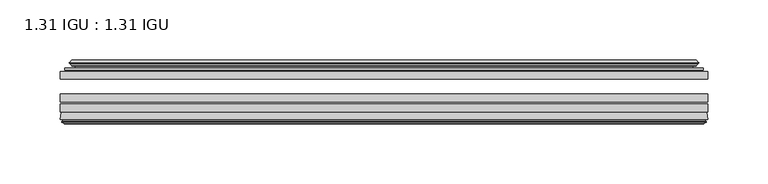
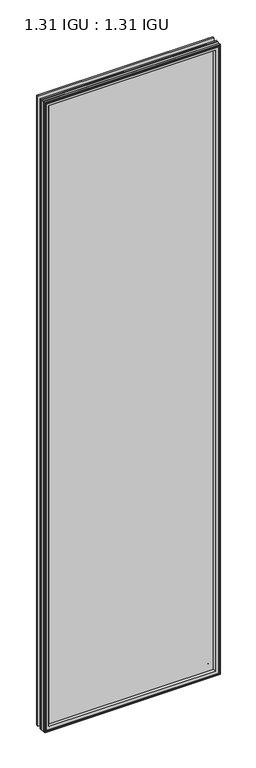
"""IFC4 building model written with IfcOpenShell, lengths in millimetres: plate geometry, 1.31 IGU : 1.31 IGU."""

from ifc_helpers import new_model, si_unit, frame, origin, place, context, project, spatial, polyline, ellipse_curve, outline, extrude, source, transform, mapped, element, save
from ifc_brep_helpers import plane_surface, cylinder_surface, revolved_surface, advanced_brep


def plate_1_31_igu_1_31_igu_53d5ca03(model_context):
    return source(origin(), model_context, "Body", "SolidModel", [
        extrude(outline(polyline([(268.2193626, -51.7723437), (268.2193626, -58.1223438), (-268.2863094, -58.1223438), (-268.2863094, -51.7723437), (268.2193626, -51.7723437)])), frame((0.0, 0.0, -14.2875), z_axis=(0.0, 0.0, 1.0), x_axis=(1.0, 0.0, 0.0)), (0.0, 0.0, 1.0), 2025.65),
        extrude(outline(polyline([(-268.2863094, -85.4273438), (-268.2863094, -79.0773437), (268.2193626, -79.0773437), (268.2193626, -85.4273438), (-268.2863094, -85.4273438)])), frame((0.0, 0.0, -14.2875), z_axis=(0.0, 0.0, 1.0), x_axis=(1.0, 0.0, 0.0)), (0.0, 0.0, 1.0), 2025.65),
        extrude(outline(polyline([(-268.2863094, -77.1723438), (-268.2863094, -70.8223438), (268.2193626, -70.8223438), (268.2193626, -77.1723438), (-268.2863094, -77.1723438)])), frame((0.0, 0.0, -14.2875), z_axis=(0.0, 0.0, 1.0), x_axis=(1.0, 0.0, 0.0)), (0.0, 0.0, 1.0), 2025.65),
        advanced_brep(
        [(-268.2990094, -91.7773437, 2011.3752), (-267.6042256, -86.1187838, 2010.6804162), (-267.6042256, -86.1187838, -13.6054162), (-268.2990094, -91.7773437, -14.3002), (-265.9114094, -93.768408, 2008.9876), (-266.3686094, -91.7773437, 2009.4448), (-266.3686094, -91.7773437, -12.3698), (-265.9114094, -93.768408, -11.9126), (-266.9127712, -93.5000939, 2009.9889619), (-266.9127712, -93.5000939, -12.9139619), (-267.1560094, -94.407871, 2010.2322), (-267.1560094, -94.407871, -13.1572), (-265.1240094, -94.9523437, 2008.2002), (-265.1240094, -94.9523437, -11.1252), (-263.0920094, -94.407871, 2006.1682), (-263.0920094, -94.407871, -9.0932), (-263.3352475, -93.5000939, 2006.4114381), (-263.3352475, -93.5000939, -9.3364381), (-264.3366094, -93.768408, 2007.4128), (-264.3366094, -93.768408, -10.3378), (-263.8794094, -91.7773437, 2006.9556), (-263.8794094, -91.7773437, -9.8806), (-249.8097879, -85.4273437, 1992.8859786), (-253.9988094, -91.7773437, 1997.075), (-253.9988094, -91.7773437, 0.0), (-249.8097879, -85.4273437, 4.1890214), (-266.8226947, -85.4273437, 2009.8988854), (-266.8226947, -85.4273437, -12.8238854), (267.6042256, -86.1187838, -13.6054162), (268.2990094, -91.7773437, -14.3002), (266.3686094, -91.7773437, -12.3698), (265.9114094, -93.768408, -11.9126), (266.9127712, -93.5000939, -12.9139619), (267.1560094, -94.407871, -13.1572), (265.1240094, -94.9523437, -11.1252), (263.0920094, -94.407871, -9.0932), (263.3352475, -93.5000939, -9.3364381), (264.3366094, -93.768408, -10.3378), (263.8794094, -91.7773437, -9.8806), (253.9988094, -91.7773437, 0.0), (249.8097879, -85.4273437, 4.1890214), (266.8226947, -85.4273437, -12.8238854), (267.6042256, -86.1187838, 2010.6804162), (268.2990094, -91.7773437, 2011.3752), (266.3686094, -91.7773437, 2009.4448), (265.9114094, -93.768408, 2008.9876), (266.9127712, -93.5000939, 2009.9889619), (267.1560094, -94.407871, 2010.2322), (265.1240094, -94.9523437, 2008.2002), (263.0920094, -94.407871, 2006.1682), (263.3352475, -93.5000939, 2006.4114381), (264.3366094, -93.768408, 2007.4128), (263.8794094, -91.7773437, 2006.9556), (253.9988094, -91.7773437, 1997.075), (249.8097879, -85.4273437, 1992.8859786), (266.8226947, -85.4273437, 2009.8988854)],
        [
            (0, 1),
            (1, 2),
            (2, 3),
            (3, 0),
            (4, 5),
            (5, 6),
            (6, 7),
            (7, 4),
            (8, 4),
            (7, 9),
            (9, 8),
            (10, 8),
            (9, 11),
            (11, 10),
            (12, 10),
            (11, 13),
            (13, 12),
            (14, 12),
            (13, 15),
            (15, 14),
            (16, 14),
            (15, 17),
            (17, 16),
            (18, 16),
            (17, 19),
            (19, 18),
            (20, 18),
            (19, 21),
            (21, 20),
            (22, 23, ellipse_curve(frame((-247.0149154, -91.8278132, 1990.091106), z_axis=(0.7071067811865475, 0.0, 0.7071067811865475), x_axis=(0.7071067811865474, 0.0, -0.7071067811865476)), 9.8769754, 6.9840763)),
            (23, 24),
            (24, 25, ellipse_curve(frame((-247.0149154, -91.8278132, 6.983894), z_axis=(0.7071067811865475, 0.0, -0.7071067811865475), x_axis=(-0.7071067811865474, 0.0, -0.7071067811865476)), 9.8769754, 6.9840763)),
            (25, 22),
            (1, 26, ellipse_curve(frame((-266.8226947, -86.2147437, 2009.8988854), z_axis=(-0.7071067811865475, 0.0, -0.7071067811865475), x_axis=(-0.7071067811865474, 0.0, 0.7071067811865476)), 1.1135518, 0.7874)),
            (26, 27),
            (27, 2, ellipse_curve(frame((-266.8226947, -86.2147437, -12.8238854), z_axis=(-0.7071067811865475, 0.0, 0.7071067811865475), x_axis=(0.7071067811865474, 0.0, 0.7071067811865476)), 1.1135518, 0.7874)),
            (2, 28),
            (28, 29),
            (29, 3),
            (6, 30),
            (30, 31),
            (31, 7),
            (31, 32),
            (32, 9),
            (32, 33),
            (33, 11),
            (33, 34),
            (34, 13),
            (34, 35),
            (35, 15),
            (35, 36),
            (36, 17),
            (36, 37),
            (37, 19),
            (37, 38),
            (38, 21),
            (24, 39),
            (39, 40, ellipse_curve(frame((247.0149154, -91.8278132, 6.983894), z_axis=(0.7071067811865475, 0.0, 0.7071067811865475), x_axis=(0.7071067811865476, 0.0, -0.7071067811865474)), 9.8769754, 6.9840763)),
            (40, 25),
            (27, 41),
            (41, 28, ellipse_curve(frame((266.8226947, -86.2147437, -12.8238854), z_axis=(-0.7071067811865475, 0.0, -0.7071067811865475), x_axis=(-0.7071067811865476, 0.0, 0.7071067811865474)), 1.1135518, 0.7874)),
            (28, 42),
            (42, 43),
            (43, 29),
            (30, 44),
            (44, 45),
            (45, 31),
            (45, 46),
            (46, 32),
            (46, 47),
            (47, 33),
            (47, 48),
            (48, 34),
            (48, 49),
            (49, 35),
            (49, 50),
            (50, 36),
            (50, 51),
            (51, 37),
            (51, 52),
            (52, 38),
            (39, 53),
            (53, 54, ellipse_curve(frame((247.0149154, -91.8278132, 1990.091106), z_axis=(-0.7071067811865475, 0.0, 0.7071067811865475), x_axis=(0.7071067811865474, 0.0, 0.7071067811865476)), 9.8769754, 6.9840763)),
            (54, 40),
            (41, 55),
            (55, 42, ellipse_curve(frame((266.8226947, -86.2147437, 2009.8988854), z_axis=(0.7071067811865475, 0.0, -0.7071067811865475), x_axis=(-0.7071067811865474, 0.0, -0.7071067811865476)), 1.1135518, 0.7874)),
            (42, 1),
            (0, 43),
            (5, 44),
            (4, 45),
            (8, 46),
            (10, 47),
            (12, 48),
            (14, 49),
            (16, 50),
            (18, 51),
            (20, 52),
            (23, 53),
            (22, 54),
            (26, 55),
        ],
        [
            plane_surface(frame((-267.6042256, -86.1187838, 2010.6804162), z_axis=(-0.9925461516413241, 0.12186934340513107, 0.0), x_axis=(0.0, 0.0, -1.0))),
            plane_surface(frame((-266.3686094, -91.7773437, 2009.4448), z_axis=(-0.9746347637895992, -0.2238014236165451, 0.0), x_axis=(0.0, 0.0, -1.0))),
            plane_surface(frame((-265.9114094, -93.768408, 2008.9876), z_axis=(0.2588190451026679, 0.9659258262890289, 0.0), x_axis=(0.0, 0.0, -1.0))),
            plane_surface(frame((-266.9127712, -93.5000939, 2009.9889619), z_axis=(-0.9659258262890449, 0.25881904510260834, 0.0), x_axis=(0.0, 0.0, -1.0))),
            plane_surface(frame((-267.1560094, -94.407871, 2010.2322), z_axis=(-0.2588190451025046, -0.9659258262890726, 0.0), x_axis=(0.0, 0.0, -1.0))),
            plane_surface(frame((-265.1240094, -94.9523437, 2008.2002), z_axis=(0.25881904510247894, -0.9659258262890795, 0.0), x_axis=(0.0, 0.0, -1.0))),
            plane_surface(frame((-263.0920094, -94.407871, 2006.1682), z_axis=(0.9659258262890272, 0.258819045102674, 0.0), x_axis=(0.0, 0.0, -1.0))),
            plane_surface(frame((-263.3352475, -93.5000939, 2006.4114381), z_axis=(-0.2588190451023417, 0.9659258262891163, 0.0), x_axis=(0.0, 0.0, -1.0))),
            plane_surface(frame((-264.3366094, -93.768408, 2007.4128), z_axis=(0.9746347637895936, -0.2238014236165695, 0.0), x_axis=(0.0, 0.0, -1.0))),
            revolved_surface(polyline([(-253.9989917, -91.8278132, -0.00018228295266453642), (-253.9989917, -91.8278132, 1997.0751822829527)]), (-247.0149154, -91.8278132, 2028.825), (0.0, 0.0, -1.0)),
            cylinder_surface(frame((-266.8226947, -86.2147437, 2028.825), z_axis=(0.0, 0.0, 1.0), x_axis=(-1.0, 0.0, 0.0)), 0.7874),
            plane_surface(frame((-267.6042256, -86.1187838, -13.6054162), z_axis=(0.0, 0.12186934340512784, -0.9925461516413245), x_axis=(1.0, 0.0, 0.0))),
            plane_surface(frame((-266.3686094, -91.7773437, -12.3698), z_axis=(0.0, -0.22380142361654826, -0.9746347637895985), x_axis=(1.0, 0.0, 0.0))),
            plane_surface(frame((-265.9114094, -93.768408, -11.9126), z_axis=(0.0, 0.9659258262890298, 0.25881904510266474), x_axis=(1.0, 0.0, 0.0))),
            plane_surface(frame((-266.9127712, -93.5000939, -12.9139619), z_axis=(0.0, 0.25881904510260517, -0.9659258262890458), x_axis=(1.0, 0.0, 0.0))),
            plane_surface(frame((-267.1560094, -94.407871, -13.1572), z_axis=(0.0, -0.9659258262890735, -0.2588190451025014), x_axis=(1.0, 0.0, 0.0))),
            plane_surface(frame((-265.1240094, -94.9523437, -11.1252), z_axis=(0.0, -0.9659258262890786, 0.2588190451024821), x_axis=(1.0, 0.0, 0.0))),
            plane_surface(frame((-263.0920094, -94.407871, -9.0932), z_axis=(0.0, 0.2588190451026772, 0.9659258262890265), x_axis=(1.0, 0.0, 0.0))),
            plane_surface(frame((-263.3352475, -93.5000939, -9.3364381), z_axis=(0.0, 0.9659258262891154, -0.2588190451023449), x_axis=(1.0, 0.0, 0.0))),
            plane_surface(frame((-264.3366094, -93.768408, -10.3378), z_axis=(0.0, -0.22380142361656633, 0.9746347637895943), x_axis=(1.0, 0.0, 0.0))),
            revolved_surface(polyline([(253.9989916829528, -91.8278132, -0.00018229999999963553), (-253.99899168295272, -91.8278132, -0.00018229999999963553)]), (-285.7488094, -91.8278132, 6.983894), (1.0, 0.0, 0.0)),
            cylinder_surface(frame((-285.7488094, -86.2147437, -12.8238854), z_axis=(-1.0, 0.0, 0.0), x_axis=(0.0, 0.0, -1.0)), 0.7874),
            plane_surface(frame((267.6042256, -86.1187838, -13.6054162), z_axis=(0.992546151641325, 0.1218693434051246, 0.0), x_axis=(0.0, 0.0, 1.0))),
            plane_surface(frame((266.3686094, -91.7773437, -12.3698), z_axis=(0.9746347637895977, -0.22380142361655142, 0.0), x_axis=(0.0, 0.0, 1.0))),
            plane_surface(frame((265.9114094, -93.768408, -11.9126), z_axis=(-0.25881904510266157, 0.9659258262890307, 0.0), x_axis=(0.0, 0.0, 1.0))),
            plane_surface(frame((266.9127712, -93.5000939, -12.9139619), z_axis=(0.9659258262890467, 0.258819045102602, 0.0), x_axis=(0.0, 0.0, 1.0))),
            plane_surface(frame((267.1560094, -94.407871, -13.1572), z_axis=(0.25881904510249826, -0.9659258262890744, 0.0), x_axis=(0.0, 0.0, 1.0))),
            plane_surface(frame((265.1240094, -94.9523437, -11.1252), z_axis=(-0.2588190451024853, -0.9659258262890779, 0.0), x_axis=(0.0, 0.0, 1.0))),
            plane_surface(frame((263.0920094, -94.407871, -9.0932), z_axis=(-0.9659258262890256, 0.2588190451026804, 0.0), x_axis=(0.0, 0.0, 1.0))),
            plane_surface(frame((263.3352475, -93.5000939, -9.3364381), z_axis=(0.2588190451023481, 0.9659258262891146, 0.0), x_axis=(0.0, 0.0, 1.0))),
            plane_surface(frame((264.3366094, -93.768408, -10.3378), z_axis=(-0.9746347637895951, -0.22380142361656316, 0.0), x_axis=(0.0, 0.0, 1.0))),
            revolved_surface(polyline([(253.9989917, -91.8278132, 1997.0751822829527), (253.9989917, -91.8278132, -0.0001822829527107217)]), (247.0149154, -91.8278132, -31.75), (0.0, 0.0, 1.0)),
            cylinder_surface(frame((266.8226947, -86.2147437, -31.75), z_axis=(0.0, 0.0, -1.0), x_axis=(1.0, 0.0, 0.0)), 0.7874),
            plane_surface(frame((267.6042256, -86.1187838, 2010.6804162), z_axis=(0.0, 0.12186934340512784, 0.9925461516413245), x_axis=(-1.0, 0.0, 0.0))),
            plane_surface(frame((268.2990094, -91.7773437, 2011.3752), z_axis=(0.0, -1.0, 0.0), x_axis=(-1.0, 0.0, 0.0))),
            plane_surface(frame((266.3686094, -91.7773437, 2009.4448), z_axis=(0.0, -0.22380142361654826, 0.9746347637895985), x_axis=(-1.0, 0.0, 0.0))),
            plane_surface(frame((265.9114094, -93.768408, 2008.9876), z_axis=(0.0, 0.9659258262890298, -0.25881904510266474), x_axis=(-1.0, 0.0, 0.0))),
            plane_surface(frame((266.9127712, -93.5000939, 2009.9889619), z_axis=(0.0, 0.25881904510260517, 0.9659258262890458), x_axis=(-1.0, 0.0, 0.0))),
            plane_surface(frame((267.1560094, -94.407871, 2010.2322), z_axis=(0.0, -0.9659258262890735, 0.2588190451025014), x_axis=(-1.0, 0.0, 0.0))),
            plane_surface(frame((265.1240094, -94.9523437, 2008.2002), z_axis=(0.0, -0.9659258262890787, -0.25881904510248216), x_axis=(-1.0, 0.0, 0.0))),
            plane_surface(frame((263.0920094, -94.407871, 2006.1682), z_axis=(0.0, 0.2588190451026772, -0.9659258262890265), x_axis=(-1.0, 0.0, 0.0))),
            plane_surface(frame((263.3352475, -93.5000939, 2006.4114381), z_axis=(0.0, 0.9659258262891155, 0.25881904510234494), x_axis=(-1.0, 0.0, 0.0))),
            plane_surface(frame((264.3366094, -93.768408, 2007.4128), z_axis=(0.0, -0.22380142361656633, -0.9746347637895943), x_axis=(-1.0, 0.0, 0.0))),
            plane_surface(frame((263.8794094, -91.7773437, 2006.9556), z_axis=(0.0, -1.0, 0.0), x_axis=(-1.0, 0.0, 0.0))),
            revolved_surface(polyline([(-253.9989916829528, -91.8278132, 1997.0751823), (253.99899168295272, -91.8278132, 1997.0751823)]), (285.7488094, -91.8278132, 1990.091106), (-1.0, 0.0, 0.0)),
            plane_surface(frame((249.8097879, -85.4273437, 1992.8859786), z_axis=(0.0, 1.0, 0.0), x_axis=(-1.0, 0.0, 0.0))),
            cylinder_surface(frame((285.7488094, -86.2147437, 2009.8988854), z_axis=(1.0, 0.0, 0.0), x_axis=(0.0, 0.0, 1.0)), 0.7874),
        ],
        [
            (0, [[1, 2, 3, 4]]),
            (1, [[5, 6, 7, 8]]),
            (2, [[9, -8, 10, 11]]),
            (3, [[12, -11, 13, 14]]),
            (4, [[15, -14, 16, 17]]),
            (5, [[18, -17, 19, 20]]),
            (6, [[21, -20, 22, 23]]),
            (7, [[24, -23, 25, 26]]),
            (8, [[27, -26, 28, 29]]),
            (9, [[30, 31, 32, 33]]),
            (10, [[34, 35, 36, -2]]),
            (11, [[-3, 37, 38, 39]]),
            (12, [[-7, 40, 41, 42]]),
            (13, [[-10, -42, 43, 44]]),
            (14, [[-13, -44, 45, 46]]),
            (15, [[-16, -46, 47, 48]]),
            (16, [[-19, -48, 49, 50]]),
            (17, [[-22, -50, 51, 52]]),
            (18, [[-25, -52, 53, 54]]),
            (19, [[-28, -54, 55, 56]]),
            (20, [[-32, 57, 58, 59]]),
            (21, [[-36, 60, 61, -37]]),
            (22, [[-38, 62, 63, 64]]),
            (23, [[-41, 65, 66, 67]]),
            (24, [[-43, -67, 68, 69]]),
            (25, [[-45, -69, 70, 71]]),
            (26, [[-47, -71, 72, 73]]),
            (27, [[-49, -73, 74, 75]]),
            (28, [[-51, -75, 76, 77]]),
            (29, [[-53, -77, 78, 79]]),
            (30, [[-55, -79, 80, 81]]),
            (31, [[-58, 82, 83, 84]]),
            (32, [[-61, 85, 86, -62]]),
            (33, [[-63, 87, -1, 88]]),
            (34, [[-39, -64, -88, -4], [89, -65, -40, -6]]),
            (35, [[-66, -89, -5, 90]]),
            (36, [[-68, -90, -9, 91]]),
            (37, [[-70, -91, -12, 92]]),
            (38, [[-72, -92, -15, 93]]),
            (39, [[-74, -93, -18, 94]]),
            (40, [[-76, -94, -21, 95]]),
            (41, [[-78, -95, -24, 96]]),
            (42, [[-80, -96, -27, 97]]),
            (43, [[-56, -81, -97, -29], [98, -82, -57, -31]]),
            (44, [[-83, -98, -30, 99]]),
            (45, [[100, -85, -60, -35], [-59, -84, -99, -33]]),
            (46, [[-86, -100, -34, -87]]),
        ],
    ),
        advanced_brep(
        [(-249.9510995, -50.6812421, 1993.0272902), (-250.3929097, -51.7723437, 1993.4691004), (-250.3929097, -51.7723437, 3.6058996), (-249.9510995, -50.6812421, 4.0477098), (-253.9988094, -42.9585437, 1997.075), (-253.9988094, -42.9585437, 0.0), (-259.1847202, -44.1396428, 2002.2609109), (-259.1847202, -44.1396428, -5.1859109), (-258.855145, -43.3125262, 2001.9313356), (-258.855145, -43.3125262, -4.8563356), (-258.855145, -42.4982749, 2001.9313356), (-258.855145, -42.4982749, -4.8563356), (-260.6714204, -44.4569108, 2003.7476111), (-260.6714204, -44.4569108, -6.6726111), (-260.6714204, -45.1700367, 2003.7476111), (-260.6714204, -45.1700367, -6.6726111), (-258.855145, -47.1188911, 2001.9313356), (-258.855145, -47.1188911, -4.8563356), (-258.855145, -46.3144213, 2001.9313356), (-258.855145, -46.3144213, -4.8563356), (-259.1770595, -45.5065305, 2002.2532501), (-259.1770595, -45.5065305, -5.1782501), (-256.6532472, -45.3481387, 1999.7294379), (-256.6532472, -45.3481387, -2.6544379), (-255.627431, -46.0358481, 1998.7036217), (-255.627431, -46.0358481, -1.6286217), (-255.7458382, -47.4303169, 1998.8220288), (-255.7458382, -47.4303169, -1.7470288), (-256.3475841, -48.9275437, 1999.4237748), (-256.3475841, -48.9275437, -2.3487748), (-264.2733647, -50.8359667, 2007.3495553), (-263.7877339, -48.9275437, 2006.8639245), (-263.7877339, -48.9275437, -9.7889245), (-264.2733647, -50.8359667, -10.2745553), (-262.5526248, -51.7723437, 2005.6288155), (-262.5526248, -51.7723437, -8.5538155), (250.3929097, -51.7723437, 3.6058996), (249.9510995, -50.6812421, 4.0477098), (253.9988094, -42.9585437, 0.0), (259.1847202, -44.1396428, -5.1859109), (258.855145, -43.3125262, -4.8563356), (258.855145, -42.4982749, -4.8563356), (260.6714204, -44.4569108, -6.6726111), (260.6714204, -45.1700367, -6.6726111), (258.855145, -47.1188911, -4.8563356), (258.855145, -46.3144213, -4.8563356), (259.1770595, -45.5065305, -5.1782501), (256.6532472, -45.3481387, -2.6544379), (255.627431, -46.0358481, -1.6286217), (255.7458382, -47.4303169, -1.7470288), (256.3475841, -48.9275437, -2.3487748), (263.7877339, -48.9275437, -9.7889245), (264.2733647, -50.8359667, -10.2745553), (262.5526248, -51.7723437, -8.5538155), (250.3929097, -51.7723437, 1993.4691004), (249.9510995, -50.6812421, 1993.0272902), (253.9988094, -42.9585437, 1997.075), (259.1847202, -44.1396428, 2002.2609109), (258.855145, -43.3125262, 2001.9313356), (258.855145, -42.4982749, 2001.9313356), (260.6714204, -44.4569108, 2003.7476111), (260.6714204, -45.1700367, 2003.7476111), (258.855145, -47.1188911, 2001.9313356), (258.855145, -46.3144213, 2001.9313356), (259.1770595, -45.5065305, 2002.2532501), (256.6532472, -45.3481387, 1999.7294379), (255.627431, -46.0358481, 1998.7036217), (255.7458382, -47.4303169, 1998.8220288), (256.3475841, -48.9275437, 1999.4237748), (263.7877339, -48.9275437, 2006.8639245), (264.2733647, -50.8359667, 2007.3495553), (262.5526248, -51.7723437, 2005.6288155)],
        [
            (0, 1, ellipse_curve(frame((-250.3929097, -51.1373437, 1993.4691004), z_axis=(-0.7071067811865475, 0.0, -0.7071067811865475), x_axis=(-0.7071067811865474, 0.0, 0.7071067811865476)), 0.8980256, 0.635)),
            (1, 2),
            (2, 3, ellipse_curve(frame((-250.3929097, -51.1373437, 3.6058996), z_axis=(-0.7071067811865475, 0.0, 0.7071067811865475), x_axis=(0.7071067811865474, 0.0, 0.7071067811865476)), 0.8980256, 0.635)),
            (3, 0),
            (4, 0, ellipse_curve(frame((-240.2660148, -40.6828682, 1983.3422054), z_axis=(0.7071067811865475, 0.0, 0.7071067811865475), x_axis=(0.7071067811865474, 0.0, -0.7071067811865476)), 19.6859517, 13.9200699)),
            (3, 5, ellipse_curve(frame((-240.2660148, -40.6828682, 13.7327946), z_axis=(0.7071067811865475, 0.0, -0.7071067811865475), x_axis=(-0.7071067811865474, 0.0, -0.7071067811865476)), 19.6859517, 13.9200699)),
            (5, 4),
            (6, 4),
            (5, 7),
            (7, 6),
            (8, 6),
            (7, 9),
            (9, 8),
            (10, 8),
            (9, 11),
            (11, 10),
            (12, 10),
            (11, 13),
            (13, 12),
            (14, 12, ellipse_curve(frame((-260.3095823, -44.8134737, 2003.3857729), z_axis=(-0.7071067811865475, 0.0, -0.7071067811865475), x_axis=(-0.7071067811865474, 0.0, 0.7071067811865476)), 0.7184205, 0.508)),
            (13, 15, ellipse_curve(frame((-260.3095823, -44.8134737, -6.3107729), z_axis=(-0.7071067811865475, 0.0, 0.7071067811865475), x_axis=(0.7071067811865474, 0.0, 0.7071067811865476)), 0.7184205, 0.508)),
            (15, 14),
            (16, 14),
            (15, 17),
            (17, 16),
            (18, 16),
            (17, 19),
            (19, 18),
            (20, 18),
            (19, 21),
            (21, 20),
            (22, 20),
            (21, 23),
            (23, 22),
            (24, 22, ellipse_curve(frame((-256.5896094, -46.3621437, 1999.6658), z_axis=(0.7071067811865475, 0.0, 0.7071067811865475), x_axis=(0.7071067811865474, 0.0, -0.7071067811865476)), 1.436841, 1.016)),
            (23, 25, ellipse_curve(frame((-256.5896094, -46.3621437, -2.5908), z_axis=(0.7071067811865475, 0.0, -0.7071067811865475), x_axis=(-0.7071067811865474, 0.0, -0.7071067811865476)), 1.436841, 1.016)),
            (25, 24),
            (26, 24, ellipse_curve(frame((-257.9612094, -46.5399437, 2001.0374), z_axis=(0.7071067811865475, 0.0, 0.7071067811865475), x_axis=(0.7071067811865474, 0.0, -0.7071067811865476)), 3.3765763, 2.3876)),
            (25, 27, ellipse_curve(frame((-257.9612094, -46.5399437, -3.9624), z_axis=(0.7071067811865475, 0.0, -0.7071067811865475), x_axis=(-0.7071067811865474, 0.0, -0.7071067811865476)), 3.3765763, 2.3876)),
            (27, 26),
            (28, 26),
            (27, 29),
            (29, 28),
            (30, 31, ellipse_curve(frame((-263.7877339, -49.9435437, 2006.8639245), z_axis=(-0.7071067811865475, 0.0, -0.7071067811865475), x_axis=(-0.7071067811865474, 0.0, 0.7071067811865476)), 1.436841, 1.016)),
            (31, 32),
            (32, 33, ellipse_curve(frame((-263.7877339, -49.9435437, -9.7889245), z_axis=(-0.7071067811865475, 0.0, 0.7071067811865475), x_axis=(0.7071067811865474, 0.0, 0.7071067811865476)), 1.436841, 1.016)),
            (33, 30),
            (34, 30),
            (33, 35),
            (35, 34),
            (2, 36),
            (36, 37, ellipse_curve(frame((250.3929097, -51.1373437, 3.6058996), z_axis=(-0.7071067811865475, 0.0, -0.7071067811865475), x_axis=(-0.7071067811865476, 0.0, 0.7071067811865474)), 0.8980256, 0.635)),
            (37, 3),
            (37, 38, ellipse_curve(frame((240.2660148, -40.6828682, 13.7327946), z_axis=(0.7071067811865475, 0.0, 0.7071067811865475), x_axis=(0.7071067811865476, 0.0, -0.7071067811865474)), 19.6859517, 13.9200699)),
            (38, 5),
            (38, 39),
            (39, 7),
            (39, 40),
            (40, 9),
            (40, 41),
            (41, 11),
            (41, 42),
            (42, 13),
            (42, 43, ellipse_curve(frame((260.3095823, -44.8134737, -6.3107729), z_axis=(-0.7071067811865475, 0.0, -0.7071067811865475), x_axis=(-0.7071067811865476, 0.0, 0.7071067811865474)), 0.7184205, 0.508)),
            (43, 15),
            (43, 44),
            (44, 17),
            (44, 45),
            (45, 19),
            (45, 46),
            (46, 21),
            (46, 47),
            (47, 23),
            (47, 48, ellipse_curve(frame((256.5896094, -46.3621437, -2.5908), z_axis=(0.7071067811865475, 0.0, 0.7071067811865475), x_axis=(0.7071067811865476, 0.0, -0.7071067811865474)), 1.436841, 1.016)),
            (48, 25),
            (48, 49, ellipse_curve(frame((257.9612094, -46.5399437, -3.9624), z_axis=(0.7071067811865475, 0.0, 0.7071067811865475), x_axis=(0.7071067811865476, 0.0, -0.7071067811865474)), 3.3765763, 2.3876)),
            (49, 27),
            (49, 50),
            (50, 29),
            (32, 51),
            (51, 52, ellipse_curve(frame((263.7877339, -49.9435437, -9.7889245), z_axis=(-0.7071067811865475, 0.0, -0.7071067811865475), x_axis=(-0.7071067811865476, 0.0, 0.7071067811865474)), 1.436841, 1.016)),
            (52, 33),
            (52, 53),
            (53, 35),
            (36, 54),
            (54, 55, ellipse_curve(frame((250.3929097, -51.1373437, 1993.4691004), z_axis=(0.7071067811865475, 0.0, -0.7071067811865475), x_axis=(-0.7071067811865474, 0.0, -0.7071067811865476)), 0.8980256, 0.635)),
            (55, 37),
            (55, 56, ellipse_curve(frame((240.2660148, -40.6828682, 1983.3422054), z_axis=(-0.7071067811865475, 0.0, 0.7071067811865475), x_axis=(0.7071067811865474, 0.0, 0.7071067811865476)), 19.6859517, 13.9200699)),
            (56, 38),
            (56, 57),
            (57, 39),
            (57, 58),
            (58, 40),
            (58, 59),
            (59, 41),
            (59, 60),
            (60, 42),
            (60, 61, ellipse_curve(frame((260.3095823, -44.8134737, 2003.3857729), z_axis=(0.7071067811865475, 0.0, -0.7071067811865475), x_axis=(-0.7071067811865474, 0.0, -0.7071067811865476)), 0.7184205, 0.508)),
            (61, 43),
            (61, 62),
            (62, 44),
            (62, 63),
            (63, 45),
            (63, 64),
            (64, 46),
            (64, 65),
            (65, 47),
            (65, 66, ellipse_curve(frame((256.5896094, -46.3621437, 1999.6658), z_axis=(-0.7071067811865475, 0.0, 0.7071067811865475), x_axis=(0.7071067811865474, 0.0, 0.7071067811865476)), 1.436841, 1.016)),
            (66, 48),
            (66, 67, ellipse_curve(frame((257.9612094, -46.5399437, 2001.0374), z_axis=(-0.7071067811865475, 0.0, 0.7071067811865475), x_axis=(0.7071067811865474, 0.0, 0.7071067811865476)), 3.3765763, 2.3876)),
            (67, 49),
            (67, 68),
            (68, 50),
            (51, 69),
            (69, 70, ellipse_curve(frame((263.7877339, -49.9435437, 2006.8639245), z_axis=(0.7071067811865475, 0.0, -0.7071067811865475), x_axis=(-0.7071067811865474, 0.0, -0.7071067811865476)), 1.436841, 1.016)),
            (70, 52),
            (70, 71),
            (71, 53),
            (54, 1),
            (0, 55),
            (4, 56),
            (6, 57),
            (8, 58),
            (10, 59),
            (12, 60),
            (14, 61),
            (16, 62),
            (18, 63),
            (20, 64),
            (22, 65),
            (24, 66),
            (26, 67),
            (28, 68),
            (31, 69),
            (30, 70),
            (34, 71),
        ],
        [
            cylinder_surface(frame((-250.3929097, -51.1373437, 2028.825), z_axis=(0.0, 0.0, 1.0), x_axis=(-1.0, 0.0, 0.0)), 0.635),
            revolved_surface(polyline([(-254.18608469999998, -40.6828682, -0.18727534118079348), (-254.18608469999998, -40.6828682, 1997.2622753411808)]), (-240.2660148, -40.6828682, 2028.825), (0.0, 0.0, -1.0)),
            plane_surface(frame((-253.9988094, -42.9585437, 1997.075), z_axis=(-0.22206498442778802, 0.9750318675259215, 0.0), x_axis=(0.0, 0.0, -1.0))),
            plane_surface(frame((-259.1847202, -44.1396428, 2002.2609109), z_axis=(0.9289682685629942, -0.3701593656833133, 0.0), x_axis=(0.0, 0.0, -1.0))),
            plane_surface(frame((-258.855145, -43.3125262, 2001.9313356), z_axis=(1.0, 0.0, 0.0), x_axis=(0.0, 0.0, -1.0))),
            plane_surface(frame((-258.855145, -42.4982749, 2001.9313356), z_axis=(-0.7332521292723948, 0.6799568478348456, 0.0), x_axis=(0.0, 0.0, -1.0))),
            cylinder_surface(frame((-260.3095823, -44.8134737, 2028.825), z_axis=(0.0, 0.0, 1.0), x_axis=(-1.0, 0.0, 0.0)), 0.508),
            plane_surface(frame((-260.6714204, -45.1700367, 2003.7476111), z_axis=(-0.7315522693036389, -0.6817853601220082, 0.0), x_axis=(0.0, 0.0, -1.0))),
            plane_surface(frame((-258.855145, -47.1188911, 2001.9313356), z_axis=(1.0, 0.0, 0.0), x_axis=(0.0, 0.0, -1.0))),
            plane_surface(frame((-258.855145, -46.3144213, 2001.9313356), z_axis=(0.9289682685631103, 0.37015936568302166, 0.0), x_axis=(0.0, 0.0, -1.0))),
            plane_surface(frame((-259.1770595, -45.5065305, 2002.2532501), z_axis=(0.06263570119321643, -0.9980364567169048, 0.0), x_axis=(0.0, 0.0, -1.0))),
            revolved_surface(polyline([(-257.6056094, -46.3621437, -3.6068000145867245), (-257.6056094, -46.3621437, 2000.6818000145868)]), (-256.5896094, -46.3621437, 2028.825), (0.0, 0.0, -1.0)),
            revolved_surface(polyline([(-260.3488094, -46.5399437, -6.3499999989237494), (-260.3488094, -46.5399437, 2003.4249999989238)]), (-257.9612094, -46.5399437, 2028.825), (0.0, 0.0, -1.0)),
            plane_surface(frame((-255.7458382, -47.4303169, 1998.8220288), z_axis=(-0.927865292542892, 0.3729155385530262, 0.0), x_axis=(0.0, 0.0, -1.0))),
            cylinder_surface(frame((-263.7877339, -49.9435437, 2028.825), z_axis=(0.0, 0.0, 1.0), x_axis=(-1.0, 0.0, 0.0)), 1.016),
            plane_surface(frame((-264.2733647, -50.8359667, 2007.3495553), z_axis=(-0.477983117370979, -0.8783690223979446, 0.0), x_axis=(0.0, 0.0, -1.0))),
            cylinder_surface(frame((-285.7488094, -51.1373437, 3.6058996), z_axis=(-1.0, 0.0, 0.0), x_axis=(0.0, 0.0, -1.0)), 0.635),
            revolved_surface(polyline([(254.18608474118082, -40.6828682, -0.1872752999999996), (-254.18608474118082, -40.6828682, -0.1872752999999996)]), (-285.7488094, -40.6828682, 13.7327946), (1.0, 0.0, 0.0)),
            plane_surface(frame((-253.9988094, -42.9585437, 0.0), z_axis=(0.0, 0.9750318675259209, -0.2220649844277912), x_axis=(1.0, 0.0, 0.0))),
            plane_surface(frame((-259.1847202, -44.1396428, -5.1859109), z_axis=(0.0, -0.3701593656833103, 0.9289682685629954), x_axis=(1.0, 0.0, 0.0))),
            plane_surface(frame((-258.855145, -43.3125262, -4.8563356), z_axis=(0.0, 0.0, 1.0), x_axis=(1.0, 0.0, 0.0))),
            plane_surface(frame((-258.855145, -42.4982749, -4.8563356), z_axis=(0.0, 0.6799568478348431, -0.733252129272397), x_axis=(1.0, 0.0, 0.0))),
            cylinder_surface(frame((-285.7488094, -44.8134737, -6.3107729), z_axis=(-1.0, 0.0, 0.0), x_axis=(0.0, 0.0, -1.0)), 0.508),
            plane_surface(frame((-260.6714204, -45.1700367, -6.6726111), z_axis=(0.0, -0.6817853601220105, -0.7315522693036367), x_axis=(1.0, 0.0, 0.0))),
            plane_surface(frame((-258.855145, -47.1188911, -4.8563356), z_axis=(0.0, 0.0, 1.0), x_axis=(1.0, 0.0, 0.0))),
            plane_surface(frame((-258.855145, -46.3144213, -4.8563356), z_axis=(0.0, 0.37015936568302465, 0.9289682685631091), x_axis=(1.0, 0.0, 0.0))),
            plane_surface(frame((-259.1770595, -45.5065305, -5.1782501), z_axis=(0.0, -0.9980364567169046, 0.06263570119321968), x_axis=(1.0, 0.0, 0.0))),
            revolved_surface(polyline([(257.60560941458687, -46.3621437, -3.6068000000000002), (-257.6056094145868, -46.3621437, -3.6068000000000002)]), (-285.7488094, -46.3621437, -2.5908), (1.0, 0.0, 0.0)),
            revolved_surface(polyline([(260.34880939892366, -46.5399437, -6.35), (-260.3488093989238, -46.5399437, -6.35)]), (-285.7488094, -46.5399437, -3.9624), (1.0, 0.0, 0.0)),
            plane_surface(frame((-255.7458382, -47.4303169, -1.7470288), z_axis=(0.0, 0.37291553855302323, -0.9278652925428932), x_axis=(1.0, 0.0, 0.0))),
            cylinder_surface(frame((-285.7488094, -49.9435437, -9.7889245), z_axis=(-1.0, 0.0, 0.0), x_axis=(0.0, 0.0, -1.0)), 1.016),
            plane_surface(frame((-264.2733647, -50.8359667, -10.2745553), z_axis=(0.0, -0.8783690223979462, -0.47798311737097615), x_axis=(1.0, 0.0, 0.0))),
            cylinder_surface(frame((250.3929097, -51.1373437, -31.75), z_axis=(0.0, 0.0, -1.0), x_axis=(1.0, 0.0, 0.0)), 0.635),
            revolved_surface(polyline([(254.18608469999998, -40.6828682, 1997.2622753411808), (254.18608469999998, -40.6828682, -0.1872753411808432)]), (240.2660148, -40.6828682, -31.75), (0.0, 0.0, 1.0)),
            plane_surface(frame((253.9988094, -42.9585437, 0.0), z_axis=(0.2220649844277944, 0.9750318675259202, 0.0), x_axis=(0.0, 0.0, 1.0))),
            plane_surface(frame((259.1847202, -44.1396428, -5.1859109), z_axis=(-0.9289682685629966, -0.3701593656833073, 0.0), x_axis=(0.0, 0.0, 1.0))),
            plane_surface(frame((258.855145, -43.3125262, -4.8563356), z_axis=(-1.0, 0.0, 0.0), x_axis=(0.0, 0.0, 1.0))),
            plane_surface(frame((258.855145, -42.4982749, -4.8563356), z_axis=(0.7332521292723992, 0.6799568478348407, 0.0), x_axis=(0.0, 0.0, 1.0))),
            cylinder_surface(frame((260.3095823, -44.8134737, -31.75), z_axis=(0.0, 0.0, -1.0), x_axis=(1.0, 0.0, 0.0)), 0.508),
            plane_surface(frame((260.6714204, -45.1700367, -6.6726111), z_axis=(0.7315522693036345, -0.6817853601220129, 0.0), x_axis=(0.0, 0.0, 1.0))),
            plane_surface(frame((258.855145, -47.1188911, -4.8563356), z_axis=(-1.0, 0.0, 0.0), x_axis=(0.0, 0.0, 1.0))),
            plane_surface(frame((258.855145, -46.3144213, -4.8563356), z_axis=(-0.928968268563108, 0.3701593656830277, 0.0), x_axis=(0.0, 0.0, 1.0))),
            plane_surface(frame((259.1770595, -45.5065305, -5.1782501), z_axis=(-0.06263570119322293, -0.9980364567169043, 0.0), x_axis=(0.0, 0.0, 1.0))),
            revolved_surface(polyline([(257.6056094, -46.3621437, 2000.6818000145868), (257.6056094, -46.3621437, -3.606800014586863)]), (256.5896094, -46.3621437, -31.75), (0.0, 0.0, 1.0)),
            revolved_surface(polyline([(260.3488094, -46.5399437, 2003.4249999989238), (260.3488094, -46.5399437, -6.349999998923781)]), (257.9612094, -46.5399437, -31.75), (0.0, 0.0, 1.0)),
            plane_surface(frame((255.7458382, -47.4303169, -1.7470288), z_axis=(0.9278652925428944, 0.37291553855302023, 0.0), x_axis=(0.0, 0.0, 1.0))),
            cylinder_surface(frame((263.7877339, -49.9435437, -31.75), z_axis=(0.0, 0.0, -1.0), x_axis=(1.0, 0.0, 0.0)), 1.016),
            plane_surface(frame((264.2733647, -50.8359667, -10.2745553), z_axis=(0.47798311737097327, -0.8783690223979478, 0.0), x_axis=(0.0, 0.0, 1.0))),
            cylinder_surface(frame((285.7488094, -51.1373437, 1993.4691004), z_axis=(1.0, 0.0, 0.0), x_axis=(0.0, 0.0, 1.0)), 0.635),
            revolved_surface(polyline([(-254.18608474118082, -40.6828682, 1997.2622753), (254.18608474118082, -40.6828682, 1997.2622753)]), (285.7488094, -40.6828682, 1983.3422054), (-1.0, 0.0, 0.0)),
            plane_surface(frame((253.9988094, -42.9585437, 1997.075), z_axis=(0.0, 0.975031867525921, 0.22206498442779124), x_axis=(-1.0, 0.0, 0.0))),
            plane_surface(frame((259.1847202, -44.1396428, 2002.2609109), z_axis=(0.0, -0.3701593656833103, -0.9289682685629954), x_axis=(-1.0, 0.0, 0.0))),
            plane_surface(frame((258.855145, -43.3125262, 2001.9313356), z_axis=(0.0, 0.0, -1.0), x_axis=(-1.0, 0.0, 0.0))),
            plane_surface(frame((258.855145, -42.4982749, 2001.9313356), z_axis=(0.0, 0.6799568478348431, 0.733252129272397), x_axis=(-1.0, 0.0, 0.0))),
            cylinder_surface(frame((285.7488094, -44.8134737, 2003.3857729), z_axis=(1.0, 0.0, 0.0), x_axis=(0.0, 0.0, 1.0)), 0.508),
            plane_surface(frame((260.6714204, -45.1700367, 2003.7476111), z_axis=(0.0, -0.6817853601220105, 0.7315522693036367), x_axis=(-1.0, 0.0, 0.0))),
            plane_surface(frame((258.855145, -47.1188911, 2001.9313356), z_axis=(0.0, 0.0, -1.0), x_axis=(-1.0, 0.0, 0.0))),
            plane_surface(frame((258.855145, -46.3144213, 2001.9313356), z_axis=(0.0, 0.3701593656830247, -0.9289682685631092), x_axis=(-1.0, 0.0, 0.0))),
            plane_surface(frame((259.1770595, -45.5065305, 2002.2532501), z_axis=(0.0, -0.9980364567169046, -0.06263570119321968), x_axis=(-1.0, 0.0, 0.0))),
            revolved_surface(polyline([(-257.60560941458687, -46.3621437, 2000.6818), (257.6056094145868, -46.3621437, 2000.6818)]), (285.7488094, -46.3621437, 1999.6658), (-1.0, 0.0, 0.0)),
            revolved_surface(polyline([(-260.34880939892366, -46.5399437, 2003.425), (260.3488093989238, -46.5399437, 2003.425)]), (285.7488094, -46.5399437, 2001.0374), (-1.0, 0.0, 0.0)),
            plane_surface(frame((255.7458382, -47.4303169, 1998.8220288), z_axis=(0.0, 0.37291553855302323, 0.9278652925428932), x_axis=(-1.0, 0.0, 0.0))),
            plane_surface(frame((256.3475841, -48.9275437, 1999.4237748), z_axis=(0.0, 1.0, 0.0), x_axis=(-1.0, 0.0, 0.0))),
            cylinder_surface(frame((285.7488094, -49.9435437, 2006.8639245), z_axis=(1.0, 0.0, 0.0), x_axis=(0.0, 0.0, 1.0)), 1.016),
            plane_surface(frame((264.2733647, -50.8359667, 2007.3495553), z_axis=(0.0, -0.8783690223979462, 0.47798311737097615), x_axis=(-1.0, 0.0, 0.0))),
            plane_surface(frame((262.5526248, -51.7723437, 2005.6288155), z_axis=(0.0, -1.0, 0.0), x_axis=(-1.0, 0.0, 0.0))),
        ],
        [
            (0, [[1, 2, 3, 4]]),
            (1, [[5, -4, 6, 7]]),
            (2, [[8, -7, 9, 10]]),
            (3, [[11, -10, 12, 13]]),
            (4, [[14, -13, 15, 16]]),
            (5, [[17, -16, 18, 19]]),
            (6, [[20, -19, 21, 22]]),
            (7, [[23, -22, 24, 25]]),
            (8, [[26, -25, 27, 28]]),
            (9, [[29, -28, 30, 31]]),
            (10, [[32, -31, 33, 34]]),
            (11, [[35, -34, 36, 37]]),
            (12, [[38, -37, 39, 40]]),
            (13, [[41, -40, 42, 43]]),
            (14, [[44, 45, 46, 47]]),
            (15, [[48, -47, 49, 50]]),
            (16, [[-3, 51, 52, 53]]),
            (17, [[-6, -53, 54, 55]]),
            (18, [[-9, -55, 56, 57]]),
            (19, [[-12, -57, 58, 59]]),
            (20, [[-15, -59, 60, 61]]),
            (21, [[-18, -61, 62, 63]]),
            (22, [[-21, -63, 64, 65]]),
            (23, [[-24, -65, 66, 67]]),
            (24, [[-27, -67, 68, 69]]),
            (25, [[-30, -69, 70, 71]]),
            (26, [[-33, -71, 72, 73]]),
            (27, [[-36, -73, 74, 75]]),
            (28, [[-39, -75, 76, 77]]),
            (29, [[-42, -77, 78, 79]]),
            (30, [[-46, 80, 81, 82]]),
            (31, [[-49, -82, 83, 84]]),
            (32, [[-52, 85, 86, 87]]),
            (33, [[-54, -87, 88, 89]]),
            (34, [[-56, -89, 90, 91]]),
            (35, [[-58, -91, 92, 93]]),
            (36, [[-60, -93, 94, 95]]),
            (37, [[-62, -95, 96, 97]]),
            (38, [[-64, -97, 98, 99]]),
            (39, [[-66, -99, 100, 101]]),
            (40, [[-68, -101, 102, 103]]),
            (41, [[-70, -103, 104, 105]]),
            (42, [[-72, -105, 106, 107]]),
            (43, [[-74, -107, 108, 109]]),
            (44, [[-76, -109, 110, 111]]),
            (45, [[-78, -111, 112, 113]]),
            (46, [[-81, 114, 115, 116]]),
            (47, [[-83, -116, 117, 118]]),
            (48, [[-86, 119, -1, 120]]),
            (49, [[-88, -120, -5, 121]]),
            (50, [[-90, -121, -8, 122]]),
            (51, [[-92, -122, -11, 123]]),
            (52, [[-94, -123, -14, 124]]),
            (53, [[-96, -124, -17, 125]]),
            (54, [[-98, -125, -20, 126]]),
            (55, [[-100, -126, -23, 127]]),
            (56, [[-102, -127, -26, 128]]),
            (57, [[-104, -128, -29, 129]]),
            (58, [[-106, -129, -32, 130]]),
            (59, [[-108, -130, -35, 131]]),
            (60, [[-110, -131, -38, 132]]),
            (61, [[-112, -132, -41, 133]]),
            (62, [[134, -114, -80, -45], [-79, -113, -133, -43]]),
            (63, [[-115, -134, -44, 135]]),
            (64, [[-117, -135, -48, 136]]),
            (65, [[-84, -118, -136, -50], [-119, -85, -51, -2]]),
        ],
    ),
    ])


if __name__ == "__main__":
    model = new_model("IFC4")
    model_context = context("Model", 3, world=origin())
    ifc_project = project(units=[si_unit("LENGTHUNIT", "METRE", prefix="MILLI")], contexts=[model_context])
    site = spatial("IfcSite", under=ifc_project)
    building = spatial("IfcBuilding", under=site)
    placement = place(None, origin())
    plate_1_31_igu_1_31_igu_shape = plate_1_31_igu_1_31_igu_53d5ca03(model_context)
    element("IfcPlate", 1, ObjectType="1.31 IGU : 1.31 IGU", at=placement, inside=building, context=model_context, shape_type="MappedRepresentation", body=[
        mapped(plate_1_31_igu_1_31_igu_shape, transform((0.0, 0.0, 0.0), x_axis=(1.0, 0.0, 0.0), y_axis=(0.0, 1.0, 0.0), z_axis=(0.0, 0.0, 1.0))),
    ])
    save(model, "model.ifc")
